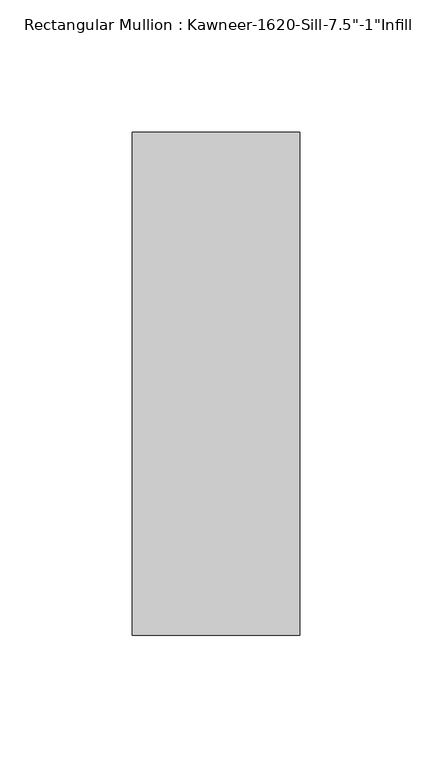
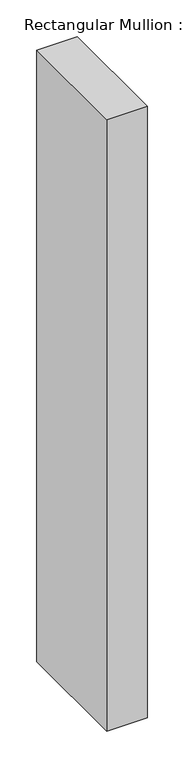
"""IFC4 building model written with IfcOpenShell, lengths in millimetres: member geometry."""

from ifc_helpers import new_model, si_unit, frame, origin, place, context, project, spatial, polyline, outline, extrude, source, transform, mapped, element, save


def member_258c1bac(model_context):
    return source(origin(), model_context, "Body", "SweptSolid", [
        extrude(outline(polyline([(-63.5, 38.1), (0.0, 38.1), (0.0, -152.4), (-63.5, -152.4), (-63.5, 38.1)])), frame((0.0, 0.0, -1016.0), z_axis=(0.0, 0.0, 1.0), x_axis=(1.0, 0.0, 0.0)), (0.0, 0.0, 1.0), 1016.0),
    ])


if __name__ == "__main__":
    model = new_model("IFC4")
    model_context = context("Model", 3, world=origin())
    ifc_project = project(units=[si_unit("LENGTHUNIT", "METRE", prefix="MILLI")], contexts=[model_context])
    site = spatial("IfcSite", under=ifc_project)
    building = spatial("IfcBuilding", under=site)
    placement = place(None, origin())
    member_shape = member_258c1bac(model_context)
    element("IfcMember", 1, ObjectType="Rectangular Mullion : Kawneer-1620-Sill-7.5\"-1\"Infill", at=placement, inside=building, context=model_context, shape_type="MappedRepresentation", body=[
        mapped(member_shape, transform((0.0, 0.0, 0.0), x_axis=(1.0, 0.0, 0.0), y_axis=(0.0, 1.0, 0.0), z_axis=(0.0, 0.0, 1.0))),
    ])
    save(model, "model.ifc")
